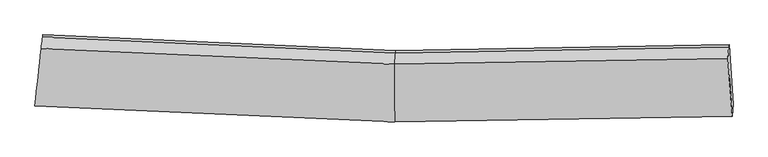
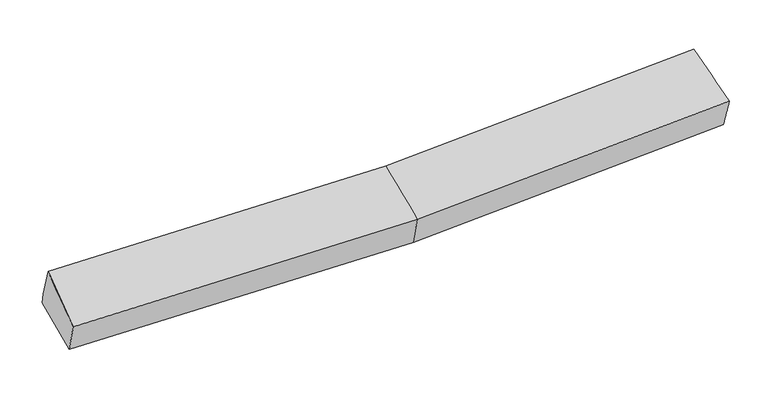
"""IFC4 building model written with IfcOpenShell, lengths in millimetres: proxy geometry."""

from ifc_helpers import new_model, si_unit, frame, origin, place, context, project, spatial, source, transform, mapped, element, save
from ifc_brep_helpers import plane_surface, spline_surface, advanced_brep


def generic_models_2cff2af0(model_context):
    return source(origin(), model_context, "Body", "AdvancedBrep", [
        advanced_brep(
        [(-3957.0554018, -1960.5153093, 2000.7982953), (-3941.9643797, -1849.8209524, 1640.6292064), (75.2774119, -2032.3930324, 1704.7377674), (63.9346946, -2143.3019913, 2064.9783783), (-3866.896585, -1164.3318715, 1787.2393905), (73.3876548, -1342.4978932, 1849.879511), (-3871.1595237, -1193.152266, 1924.1744561), (69.124716, -1371.3182877, 1986.8145767), (-3887.6874973, -1316.5383405, 2287.7164248), (57.6322648, -1494.9926614, 2350.452629), (3797.2573789, -1304.2618027, 2111.8767396), (3788.2303126, -1430.9439782, 2490.2942331), (3838.4444618, -2078.0496556, 2206.4403323), (3847.0527423, -1942.5170539, 1825.7375146), (3801.8248132, -1273.3828086, 1965.1605978)],
        [
            (0, 1),
            (1, 2),
            (2, 3),
            (3, 0),
            (1, 4),
            (4, 5),
            (5, 1),
            (4, 6),
            (6, 7),
            (7, 5),
            (6, 8),
            (8, 9),
            (9, 7),
            (8, 0),
            (3, 9),
            (10, 11),
            (11, 12),
            (12, 13),
            (13, 14),
            (14, 10),
            (5, 2),
            (9, 11),
            (10, 7),
            (3, 12),
            (2, 13),
            (5, 14),
        ],
        [
            spline_surface(1, 1, [[(-3957.0554018, -1960.5153093, 2000.7982953), (63.9346946, -2143.3019913, 2064.9783783)], [(-3941.9643797, -1849.8209524, 1640.6292064), (75.2774119, -2032.3930324, 1704.7377674)]], [2, 2], [2, 2], [0.0, 1.0], [0.0, 1.0]),
            plane_surface(frame((-3904.4304823, -1507.076412, 1713.9342985), z_axis=(0.024885862844813783, 0.20647516640811872, -0.9781353175748277), x_axis=(0.10647914137294688, 0.97232493756207, 0.20795770783358075))),
            plane_surface(frame((-3869.0280544, -1178.7420687, 1855.7069233), z_axis=(0.040907690295868535, 0.9774848201263013, 0.20700238476237423), x_axis=(-0.03044956240197294, -0.2058599610153904, 0.9781076119733813))),
            spline_surface(1, 1, [[(-3871.1595237, -1193.152266, 1924.1744561), (69.124716, -1371.3182877, 1986.8145767)], [(-3887.6874973, -1316.5383405, 2287.7164248), (57.6322648, -1494.9926614, 2350.452629)]], [2, 2], [2, 2], [0.0, 1.0], [0.0, 1.0]),
            spline_surface(1, 1, [[(-3887.6874973, -1316.5383405, 2287.7164248), (57.6322648, -1494.9926614, 2350.452629)], [(-3957.0554018, -1960.5153093, 2000.7982953), (63.9346946, -2143.3019913, 2064.9783783)]], [2, 2], [2, 2], [0.0, 1.0], [0.0, 1.0]),
            plane_surface(frame((3814.5619418, -1605.8310598, 2119.9018835), z_axis=(0.997353181438147, 0.05838307999563536, 0.043336444771462396), x_axis=(-0.022615089612030445, -0.3173709682094244, 0.94803176437272))),
            plane_surface(frame((-3904.9526775, -1496.8717479, 1928.1115546), z_axis=(-0.9938485883684768, 0.11048027989489449, -0.0076870769692900034), x_axis=(0.09792099724939307, 0.9090496159703096, 0.40501885635352447))),
            plane_surface(frame((-3941.9643797, -1849.8209524, 1640.6292064), z_axis=(0.02496791844793941, 0.20587686482263462, -0.9782593314552026), x_axis=(-0.002680506547686669, 0.978574665536811, 0.2058748135498034))),
            spline_surface(1, 1, [[(69.124716, -1371.3182877, 1986.8145767), (3797.2573789, -1304.2618027, 2111.8767396)], [(57.6322648, -1494.9926614, 2350.452629), (3788.2303126, -1430.9439782, 2490.2942331)]], [2, 2], [2, 2], [0.0, 1.0], [0.0, 1.0]),
            spline_surface(1, 1, [[(57.6322648, -1494.9926614, 2350.452629), (3788.2303126, -1430.9439782, 2490.2942331)], [(63.9346946, -2143.3019913, 2064.9783783), (3838.4444618, -2078.0496556, 2206.4403323)]], [2, 2], [2, 2], [0.0, 1.0], [0.0, 1.0]),
            spline_surface(1, 1, [[(63.9346946, -2143.3019913, 2064.9783783), (3838.4444618, -2078.0496556, 2206.4403323)], [(75.2774119, -2032.3930324, 1704.7377674), (3847.0527423, -1942.5170539, 1825.7375146)]], [2, 2], [2, 2], [0.0, 1.0], [0.0, 1.0]),
            spline_surface(1, 1, [[(75.2774119, -2032.3930324, 1704.7377674), (3847.0527423, -1942.5170539, 1825.7375146)], [(73.3876548, -1342.4978932, 1849.879511), (3801.8248132, -1273.3828086, 1965.1605978)]], [2, 2], [2, 2], [0.0, 1.0], [0.0, 1.0]),
            plane_surface(frame((71.2561854, -1356.9080904, 1918.3470438), z_axis=(-0.024480819039580253, 0.9784214158481865, 0.20516389182500244), x_axis=(-0.030449562402032625, -0.20585996101537637, 0.9781076119733823))),
        ],
        [
            (0, [[1, 2, 3, 4]]),
            (1, [[5, 6, 7]]),
            (2, [[8, 9, 10, -6]]),
            (3, [[11, 12, 13, -9]]),
            (4, [[14, -4, 15, -12]]),
            (5, [[16, 17, 18, 19, 20]]),
            (6, [[-14, -11, -8, -5, -1]]),
            (7, [[21, -2, -7]]),
            (8, [[-13, 22, -16, 23]]),
            (9, [[-15, 24, -17, -22]]),
            (10, [[-3, 25, -18, -24]]),
            (11, [[-21, 26, -19, -25]]),
            (12, [[-10, -23, -20, -26]]),
        ],
    ),
    ])


if __name__ == "__main__":
    model = new_model("IFC4")
    model_context = context("Model", 3, world=origin())
    ifc_project = project(units=[si_unit("LENGTHUNIT", "METRE", prefix="MILLI")], contexts=[model_context])
    site = spatial("IfcSite", under=ifc_project)
    building = spatial("IfcBuilding", under=site)
    placement = place(None, origin())
    generic_models_shape = generic_models_2cff2af0(model_context)
    element("IfcBuildingElementProxy", 1, Name="Generic Models", at=placement, inside=building, context=model_context, shape_type="MappedRepresentation", body=[
        mapped(generic_models_shape, transform((0.0, 0.0, 0.0), x_axis=(1.0, 0.0, 0.0), y_axis=(0.0, 1.0, 0.0), z_axis=(0.0, 0.0, 1.0))),
    ])
    save(model, "model.ifc")
